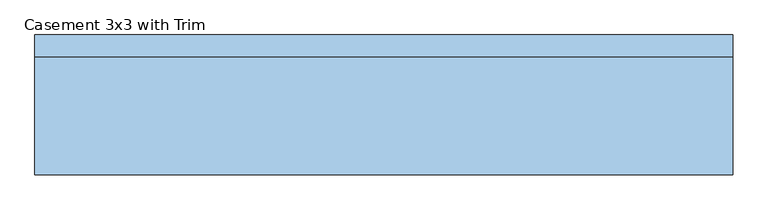
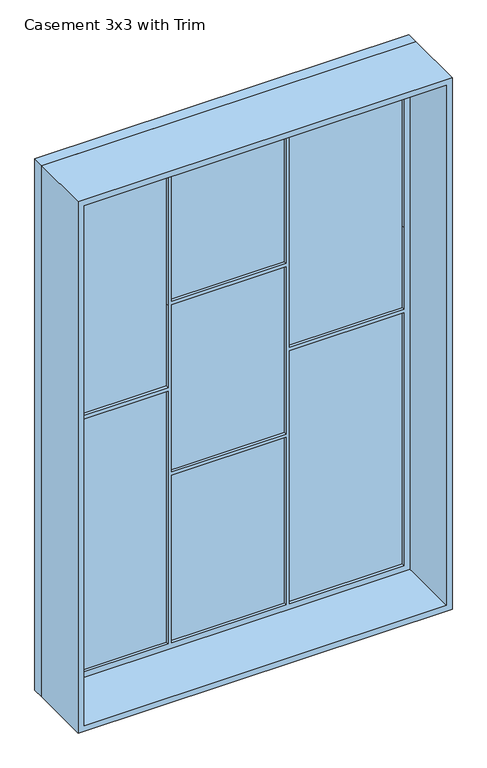
"""IFC4 building model written with IfcOpenShell, lengths in millimetres: window geometry, Casement 3x3 with Trim."""

from ifc_helpers import new_model, si_unit, frame, origin, place, context, project, spatial, polyline, outline, extrude, source, transform, mapped, element, save


def casement_3x3_with_trim_d12dae6a(model_context):
    return source(origin(), model_context, "Body", "SweptSolid", [
        extrude(outline(polyline([(3850.9, 324.8666667), (2886.8833333, 324.8666667), (2425.5103834, 324.8666667), (2425.5103834, 936.5), (2590.0833333, 936.5), (3850.9, 936.5), (3850.9, 324.8666667)])), frame((0.0, 152.375, 0.0), z_axis=(0.0, 1.0, 0.0), x_axis=(0.0, 0.0, 1.0)), (0.0, 0.0, 1.0), 12.7),
        extrude(outline(polyline([(-305.8166667, 165.075), (305.8166667, 165.075), (305.8166667, 152.375), (-305.8166667, 152.375), (-305.8166667, 165.075)])), frame((0.0, 0.0, 2905.9333333), z_axis=(0.0, 0.0, 1.0), x_axis=(1.0, 0.0, 0.0)), (0.0, 0.0, 1.0), 944.9666667),
        extrude(outline(polyline([(3850.9, -936.5), (2590.0833333, -936.5), (2425.5103834, -936.5), (2425.5103834, -324.8666667), (2886.8833333, -324.8666667), (3850.9, -324.8666667), (3850.9, -936.5)])), frame((0.0, 152.375, 0.0), z_axis=(0.0, 1.0, 0.0), x_axis=(0.0, 0.0, 1.0)), (0.0, 0.0, 1.0), 12.7),
        extrude(outline(polyline([(-305.8166667, 165.075), (305.8166667, 165.075), (305.8166667, 152.375), (-305.8166667, 152.375), (-305.8166667, 165.075)])), frame((0.0, 0.0, 1941.9166667), z_axis=(0.0, 0.0, 1.0), x_axis=(1.0, 0.0, 0.0)), (0.0, 0.0, 1.0), 944.9666667),
        extrude(outline(polyline([(324.8666667, 165.075), (936.5, 165.075), (936.5, 152.375), (324.8666667, 152.375), (324.8666667, 165.075)])), frame((0.0, 0.0, 977.9), z_axis=(0.0, 0.0, 1.0), x_axis=(1.0, 0.0, 0.0)), (0.0, 0.0, 1.0), 1427.0229777),
        extrude(outline(polyline([(-305.8166667, 165.075), (305.8166667, 165.075), (305.8166667, 152.375), (-305.8166667, 152.375), (-305.8166667, 165.075)])), frame((0.0, 0.0, 977.9), z_axis=(0.0, 0.0, 1.0), x_axis=(1.0, 0.0, 0.0)), (0.0, 0.0, 1.0), 944.9666667),
        extrude(outline(polyline([(-936.5, 165.075), (-324.8666667, 165.075), (-324.8666667, 152.375), (-936.5, 152.375), (-936.5, 165.075)])), frame((0.0, 0.0, 977.9), z_axis=(0.0, 0.0, 1.0), x_axis=(1.0, 0.0, 0.0)), (0.0, 0.0, 1.0), 1427.0229777),
        extrude(outline(polyline([(3895.35, -980.95), (933.45, -980.95), (933.45, 980.95), (3895.35, 980.95), (3895.35, -980.95)]), holes=[polyline([(3850.9, -324.8666667), (2886.8833333, -324.8666667), (2425.5103834, -324.8666667), (2425.5103834, -936.5), (2886.8833333, -936.5), (3850.9, -936.5), (3850.9, -324.8666667)]), polyline([(2404.9229777, -324.8666667), (977.9, -324.8666667), (977.9, -936.5), (2404.9229777, -936.5), (2404.9229777, -324.8666667)]), polyline([(3850.9, 305.8166667), (2905.9333333, 305.8166667), (2905.9333333, -305.8166667), (3850.9, -305.8166667), (3850.9, 305.8166667)]), polyline([(2886.8833333, 305.8166667), (1941.9166667, 305.8166667), (1941.9166667, -305.8166667), (2886.8833333, -305.8166667), (2886.8833333, 305.8166667)]), polyline([(1922.8666667, 305.8166667), (977.9, 305.8166667), (977.9, -305.8166667), (1922.8666667, -305.8166667), (1922.8666667, 305.8166667)]), polyline([(3850.9, 936.5), (2886.8833333, 936.5), (2425.5103834, 936.5), (2425.5103834, 324.8666667), (2886.8833333, 324.8666667), (3850.9, 324.8666667), (3850.9, 936.5)]), polyline([(2404.9229777, 936.5), (977.9, 936.5), (977.9, 324.8666667), (2404.9229777, 324.8666667), (2404.9229777, 936.5)])]), frame((0.0, 136.5, 0.0), z_axis=(0.0, 1.0, 0.0), x_axis=(0.0, 0.0, 1.0)), (0.0, 0.0, 1.0), 44.45),
        extrude(outline(polyline([(3914.4, -1000.0), (914.4, -1000.0), (914.4, 1000.0), (3914.4, 1000.0), (3914.4, -1000.0)]), holes=[polyline([(3882.65, -968.25), (3882.65, 968.25), (946.15, 968.25), (946.15, -968.25), (3882.65, -968.25)])]), frame((0.0, -200.0, 0.0), z_axis=(0.0, 1.0, 0.0), x_axis=(0.0, 0.0, 1.0)), (0.0, 0.0, 1.0), 336.5),
        extrude(outline(polyline([(3914.4, 1000.0), (3914.4, -1000.0), (914.4, -1000.0), (914.4, 1000.0), (3914.4, 1000.0)]), holes=[polyline([(3895.35, 980.95), (933.45, 980.95), (933.45, -980.95), (3895.35, -980.95), (3895.35, 980.95)])]), frame((0.0, 136.5, 0.0), z_axis=(0.0, 1.0, 0.0), x_axis=(0.0, 0.0, 1.0)), (0.0, 0.0, 1.0), 63.5),
    ])


if __name__ == "__main__":
    model = new_model("IFC4")
    model_context = context("Model", 3, world=origin())
    ifc_project = project(units=[si_unit("LENGTHUNIT", "METRE", prefix="MILLI")], contexts=[model_context])
    site = spatial("IfcSite", under=ifc_project)
    building = spatial("IfcBuilding", under=site)
    placement = place(None, origin())
    casement_3x3_with_trim_shape = casement_3x3_with_trim_d12dae6a(model_context)
    element("IfcWindow", 1, ObjectType="Casement 3x3 with Trim", at=placement, inside=building, context=model_context, shape_type="MappedRepresentation", body=[
        mapped(casement_3x3_with_trim_shape, transform((0.0, 0.0, 0.0), x_axis=(1.0, 0.0, 0.0), y_axis=(0.0, 1.0, 0.0), z_axis=(0.0, 0.0, 1.0))),
    ])
    save(model, "model.ifc")
